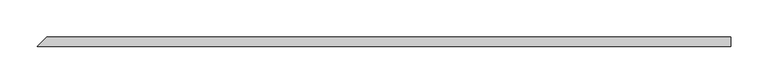
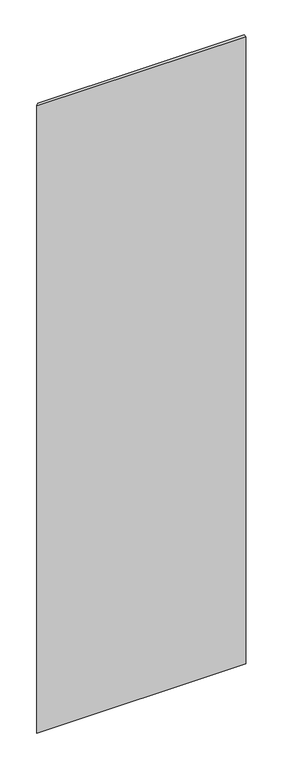
"""IFC4 building model written with IfcOpenShell, lengths in millimetres: plate geometry."""

from ifc_helpers import new_model, si_unit, origin, origin_with_axes, place, context, project, spatial, polyline, outline, extrude, source, transform, mapped, element, save


def plate_5e846e42(model_context):
    return source(origin(), model_context, "Body", "SweptSolid", [
        extrude(outline(polyline([(474.6625, 26.9875), (474.6625, 14.2875), (-460.375, 14.2875), (-447.675, 26.9875), (474.6625, 26.9875)])), origin_with_axes(), (0.0, 0.0, 1.0), 2965.45),
    ])


if __name__ == "__main__":
    model = new_model("IFC4")
    model_context = context("Model", 3, world=origin())
    ifc_project = project(units=[si_unit("LENGTHUNIT", "METRE", prefix="MILLI")], contexts=[model_context])
    site = spatial("IfcSite", under=ifc_project)
    building = spatial("IfcBuilding", under=site)
    placement = place(None, origin())
    plate_shape = plate_5e846e42(model_context)
    element("IfcPlate", 1, at=placement, inside=building, context=model_context, shape_type="MappedRepresentation", body=[
        mapped(plate_shape, transform((0.0, 0.0, 0.0), x_axis=(1.0, 0.0, 0.0), y_axis=(0.0, 1.0, 0.0), z_axis=(0.0, 0.0, 1.0))),
    ])
    save(model, "model.ifc")
